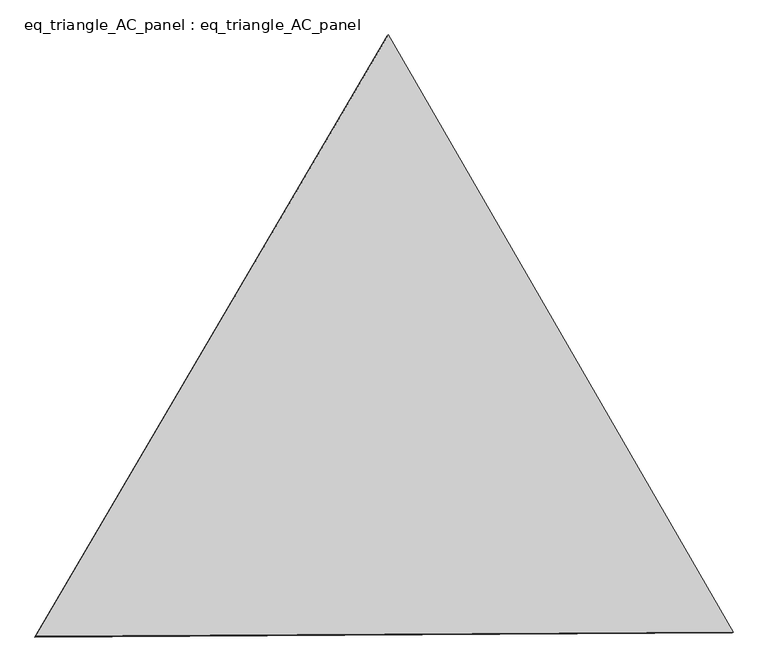
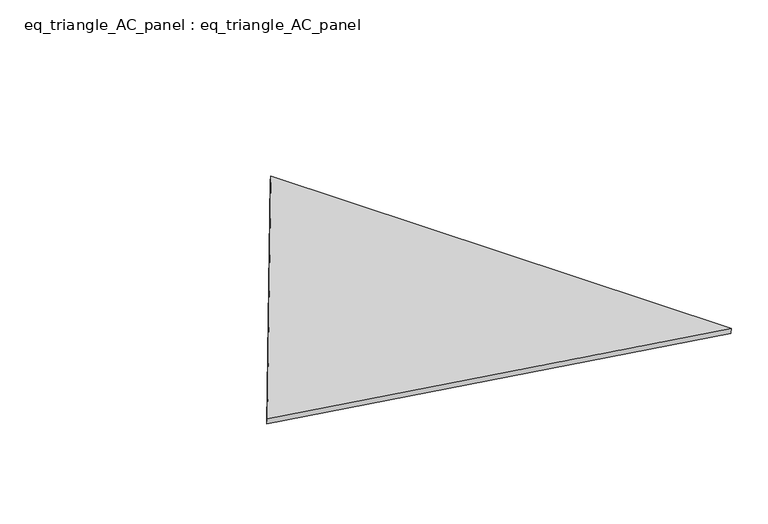
"""IFC4 building model written with IfcOpenShell, lengths in millimetres: proxy geometry, eq_triangle_AC_panel : eq_triangle_AC_panel."""

from ifc_helpers import new_model, si_unit, frame, origin, place, context, project, spatial, polyline, outline, extrude, source, transform, mapped, element, save


def eq_triangle_ac_panel_eq_triangle_ac_panel_a5d4df46(model_context):
    return source(origin(), model_context, "Body", "SweptSolid", [
        extrude(outline(polyline([(-2017.7410617, 1198.9367817), (2017.7410616, 1198.9367817), (-1e-07, -2397.8735635), (-2017.7410617, 1198.9367817)])), frame((0.0038051, 527.9290861, 89.8240019), z_axis=(0.1452632851805819, 0.08386570281802196, 0.9858321976225894), x_axis=(0.500002769741941, -0.8660238046639975, -2.383668160314887e-06)), (0.0, 0.0, 1.0), 43.8306294),
    ])


if __name__ == "__main__":
    model = new_model("IFC4")
    model_context = context("Model", 3, world=origin())
    ifc_project = project(units=[si_unit("LENGTHUNIT", "METRE", prefix="MILLI")], contexts=[model_context])
    site = spatial("IfcSite", under=ifc_project)
    building = spatial("IfcBuilding", under=site)
    placement = place(None, origin())
    eq_triangle_ac_panel_eq_triangle_ac_panel_shape = eq_triangle_ac_panel_eq_triangle_ac_panel_a5d4df46(model_context)
    element("IfcBuildingElementProxy", 1, Name="eq_triangle_AC_panel : eq_triangle_AC_panel", ObjectType="eq_triangle_AC_panel : eq_triangle_AC_panel", at=placement, inside=building, context=model_context, shape_type="MappedRepresentation", body=[
        mapped(eq_triangle_ac_panel_eq_triangle_ac_panel_shape, transform((0.0, 0.0, 0.0), x_axis=(1.0, 0.0, 0.0), y_axis=(0.0, 1.0, 0.0), z_axis=(0.0, 0.0, 1.0))),
    ])
    save(model, "model.ifc")
